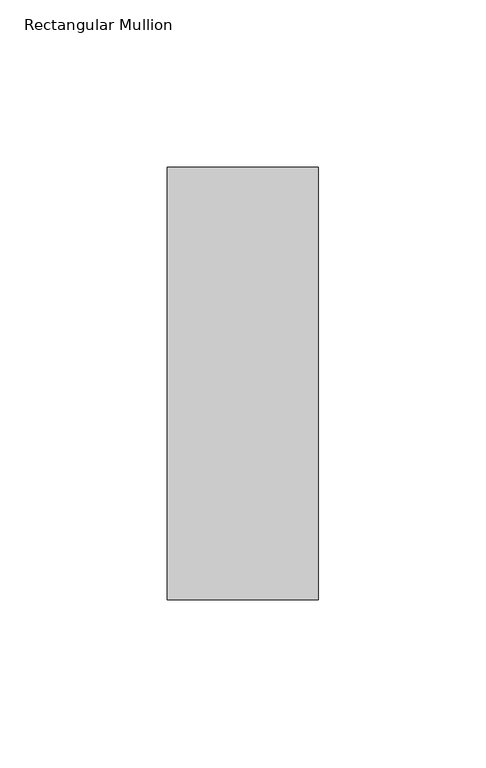
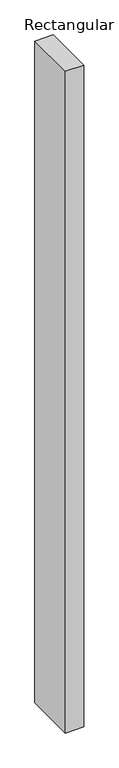
"""IFC4 building model written with IfcOpenShell, lengths in millimetres: member geometry, Rectangular Mullion."""

from ifc_helpers import new_model, si_unit, frame, origin, place, context, project, spatial, polyline, outline, extrude, source, transform, mapped, element, save


def rectangular_mullion_f2359f2e(model_context):
    return source(origin(), model_context, "Body", "SweptSolid", [
        extrude(outline(polyline([(22.5, 92.525), (22.5, -36.525), (-22.5, -36.525), (-22.5, 92.525), (22.5, 92.525)])), frame((0.0, 0.0, -1708.8912252), z_axis=(0.0, 0.0, 1.0), x_axis=(1.0, 0.0, 0.0)), (0.0, 0.0, 1.0), 1708.8912252),
    ])


if __name__ == "__main__":
    model = new_model("IFC4")
    model_context = context("Model", 3, world=origin())
    ifc_project = project(units=[si_unit("LENGTHUNIT", "METRE", prefix="MILLI")], contexts=[model_context])
    site = spatial("IfcSite", under=ifc_project)
    building = spatial("IfcBuilding", under=site)
    placement = place(None, origin())
    rectangular_mullion_shape = rectangular_mullion_f2359f2e(model_context)
    element("IfcMember", 1, ObjectType="Rectangular Mullion", at=placement, inside=building, context=model_context, shape_type="MappedRepresentation", body=[
        mapped(rectangular_mullion_shape, transform((0.0, 0.0, 0.0), x_axis=(1.0, 0.0, 0.0), y_axis=(0.0, 1.0, 0.0), z_axis=(0.0, 0.0, 1.0))),
    ])
    save(model, "model.ifc")
